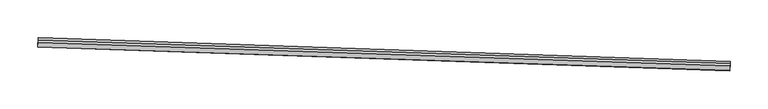
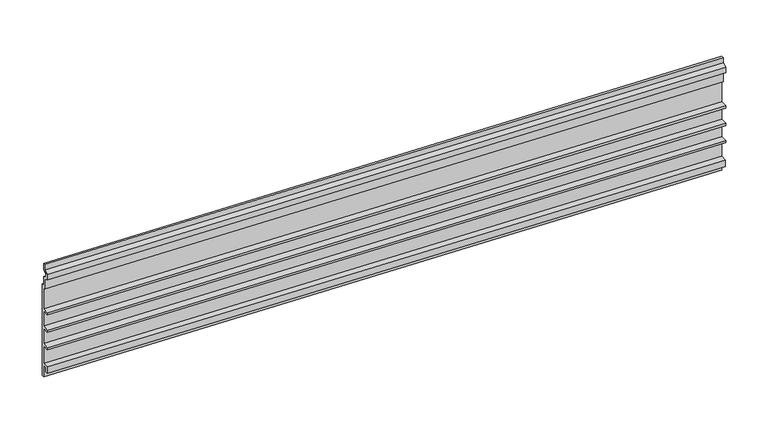
"""IFC4 building model written with IfcOpenShell, lengths in millimetres: proxy geometry."""

from ifc_helpers import new_model, si_unit, frame, origin, place, context, project, spatial, polyline, outline, extrude, source, transform, mapped, element, save


def generic_models_2a0ce50c(model_context):
    return source(origin(), model_context, "Body", "SweptSolid", [
        extrude(outline(polyline([(-3.1749999, 0.0), (0.0, 0.0), (0.0, 12.7), (5.4236225, 15.2290767), (5.4236225, 19.6959233), (0.0, 22.225), (0.0, 31.75), (3.175, 31.75), (3.175, 24.247698), (9.2139907, 21.4316705), (9.2139907, 13.4933295), (3.175, 10.6773019), (3.175, -3.175), (0.0, -3.175), (0.0, -34.13125), (9.525, -34.13125), (9.525, -37.30625), (0.0, -37.30625), (0.0, -59.53125), (9.525, -59.53125), (9.525, -62.70625), (0.0, -62.70625), (0.0, -84.93125), (9.525, -84.93125), (9.525, -88.10625), (0.0, -88.10625), (0.0, -113.50625), (8.8104385, -113.50625), (8.8104385, -123.03125), (4.9129906, -123.03125), (4.9129906, -116.68125), (0.0, -116.68125), (0.0, -133.35), (-3.1749999, -133.35), (-3.1749999, 0.0)])), frame((34376.7362962, -14832.2247215, 4013.2069019), z_axis=(-0.9994149479166007, 0.03420178183747702, 0.0), x_axis=(-0.03420178183747702, -0.9994149479166007, 0.0)), (0.0, 0.0, 1.0), 914.4),
    ])


if __name__ == "__main__":
    model = new_model("IFC4")
    model_context = context("Model", 3, world=origin())
    ifc_project = project(units=[si_unit("LENGTHUNIT", "METRE", prefix="MILLI")], contexts=[model_context])
    site = spatial("IfcSite", under=ifc_project)
    building = spatial("IfcBuilding", under=site)
    placement = place(None, origin())
    generic_models_shape = generic_models_2a0ce50c(model_context)
    element("IfcBuildingElementProxy", 1, Name="Generic Models", at=placement, inside=building, context=model_context, shape_type="MappedRepresentation", body=[
        mapped(generic_models_shape, transform((0.0, 0.0, 0.0), x_axis=(1.0, 0.0, 0.0), y_axis=(0.0, 1.0, 0.0), z_axis=(0.0, 0.0, 1.0))),
    ])
    save(model, "model.ifc")
